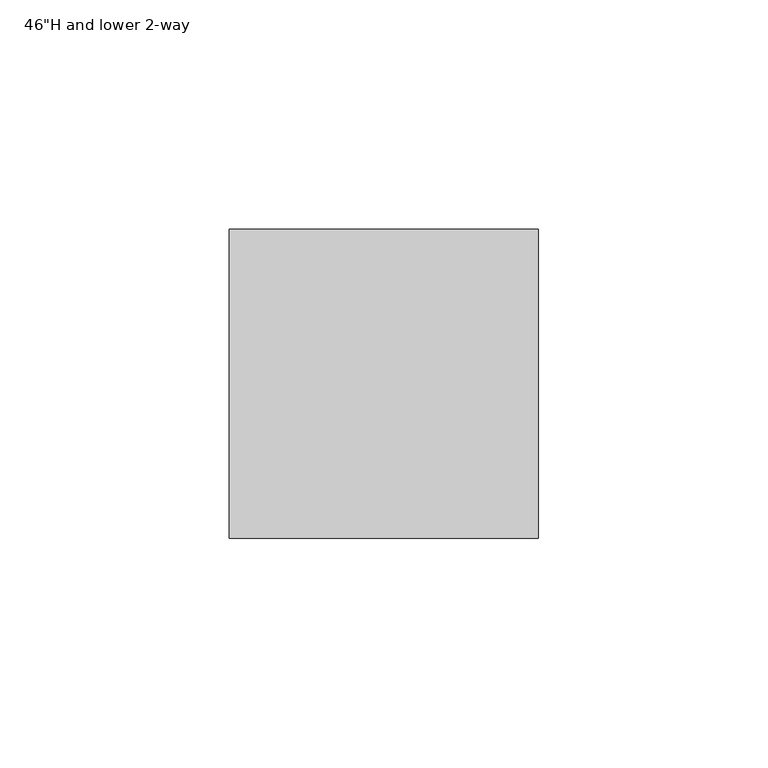
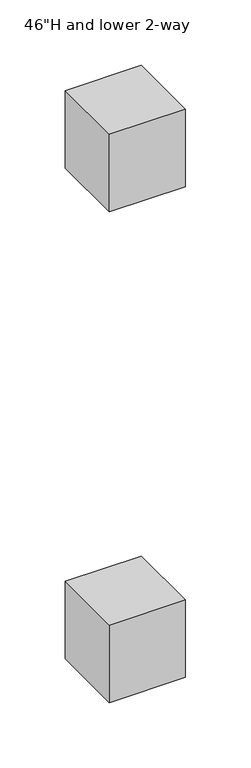
"""IFC4 building model written with IfcOpenShell, lengths in millimetres: furniture geometry."""

from ifc_helpers import new_model, si_unit, frame, origin, place, context, project, spatial, polyline, outline, extrude, source, transform, mapped, element, save


def furniture_5386d370(model_context):
    return source(origin(), model_context, "Body", "SweptSolid", [
        extrude(outline(polyline([(33.6311875, -33.6311875), (-33.6311875, -33.6311875), (-33.6311875, 33.6311875), (33.6311875, 33.6311875), (33.6311875, -33.6311875)])), frame((0.0, 0.0, 651.51), z_axis=(0.0, 0.0, 1.0), x_axis=(1.0, 0.0, 0.0)), (0.0, 0.0, 1.0), 72.39),
        extrude(outline(polyline([(33.6311875, 33.6311875), (33.6311875, -33.6311875), (-33.6311875, -33.6311875), (-33.6311875, 33.6311875), (33.6311875, 33.6311875)])), frame((0.0, 0.0, 193.0399976), z_axis=(0.0, 0.0, 1.0), x_axis=(1.0, 0.0, 0.0)), (0.0, 0.0, 1.0), 72.39),
    ])


if __name__ == "__main__":
    model = new_model("IFC4")
    model_context = context("Model", 3, world=origin())
    ifc_project = project(units=[si_unit("LENGTHUNIT", "METRE", prefix="MILLI")], contexts=[model_context])
    site = spatial("IfcSite", under=ifc_project)
    building = spatial("IfcBuilding", under=site)
    placement = place(None, origin())
    furniture_shape = furniture_5386d370(model_context)
    element("IfcFurniture", 1, ObjectType="46\"H and lower 2-way", at=placement, inside=building, context=model_context, shape_type="MappedRepresentation", body=[
        mapped(furniture_shape, transform((0.0, 0.0, 0.0), x_axis=(1.0, 0.0, 0.0), y_axis=(0.0, 1.0, 0.0), z_axis=(0.0, 0.0, 1.0))),
    ])
    save(model, "model.ifc")
